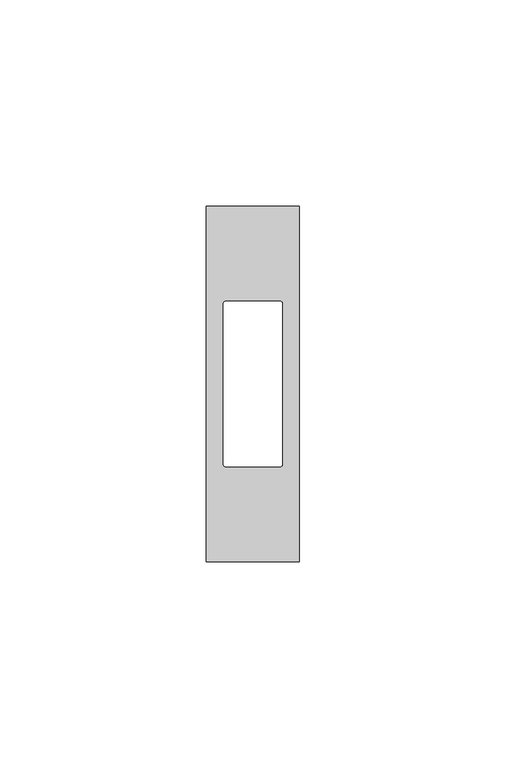
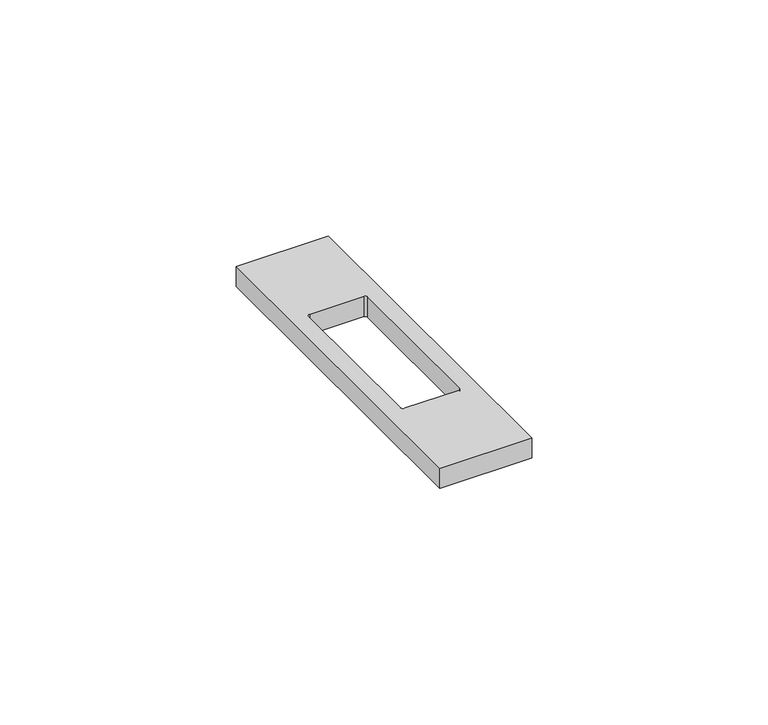
"""IFC4 building model written with IfcOpenShell, lengths in millimetres: proxy geometry."""

from ifc_helpers import new_model, si_unit, point, frame, frame_2d, origin, place, context, project, spatial, polyline, circle_curve, trimmed, segment, composite_curve, outline, extrude, source, transform, mapped, element, save


def electrical_fixtures_e64d949a(model_context):
    return source(origin(), model_context, "Body", "SweptSolid", [
        extrude(outline(polyline([(0.0, 0.0), (0.0, 86.0), (22.5, 86.0), (22.5, 0.0), (0.0, 0.0)]), holes=[composite_curve([segment(trimmed(circle_curve(frame_2d((4.6610717, 23.5610717)), 0.5610717), [point((4.1, 23.5610717))], [point((4.6610717, 23.0))], True, "CARTESIAN"), True, "CONTINUOUS"), segment(polyline([(4.6610717, 23.0), (17.8389283, 23.0)]), True, "CONTINUOUS"), segment(trimmed(circle_curve(frame_2d((17.8389283, 23.5610717)), 0.5610717), [point((17.8389283, 23.0))], [point((18.4, 23.5610717))], True, "CARTESIAN"), True, "CONTINUOUS"), segment(polyline([(18.4, 23.5610717), (18.4, 62.4389283)]), True, "CONTINUOUS"), segment(trimmed(circle_curve(frame_2d((17.8389283, 62.4389283)), 0.5610717), [point((18.4, 62.4389283))], [point((17.8389283, 63.0))], True, "CARTESIAN"), True, "CONTINUOUS"), segment(polyline([(17.8389283, 63.0), (4.6610717, 63.0)]), True, "CONTINUOUS"), segment(trimmed(circle_curve(frame_2d((4.6610717, 62.4389283)), 0.5610717), [point((4.6610717, 63.0))], [point((4.1, 62.4389283))], True, "CARTESIAN"), True, "CONTINUOUS"), segment(polyline([(4.1, 62.4389283), (4.1, 23.5610717)]), True, "CONTINUOUS")], self_intersect=False)]), frame((0.0, 0.0, 5.5), z_axis=(0.0, 0.0, 1.0), x_axis=(1.0, 0.0, 0.0)), (0.0, 0.0, 1.0), 5.2),
    ])


if __name__ == "__main__":
    model = new_model("IFC4")
    model_context = context("Model", 3, world=origin())
    ifc_project = project(units=[si_unit("LENGTHUNIT", "METRE", prefix="MILLI")], contexts=[model_context])
    site = spatial("IfcSite", under=ifc_project)
    building = spatial("IfcBuilding", under=site)
    placement = place(None, origin())
    electrical_fixtures_shape = electrical_fixtures_e64d949a(model_context)
    element("IfcBuildingElementProxy", 1, Name="Electrical Fixtures", at=placement, inside=building, context=model_context, shape_type="MappedRepresentation", body=[
        mapped(electrical_fixtures_shape, transform((0.0, 0.0, 0.0), x_axis=(1.0, 0.0, 0.0), y_axis=(0.0, 1.0, 0.0), z_axis=(0.0, 0.0, 1.0))),
    ])
    save(model, "model.ifc")
